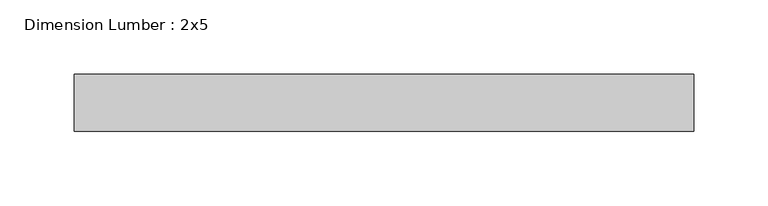
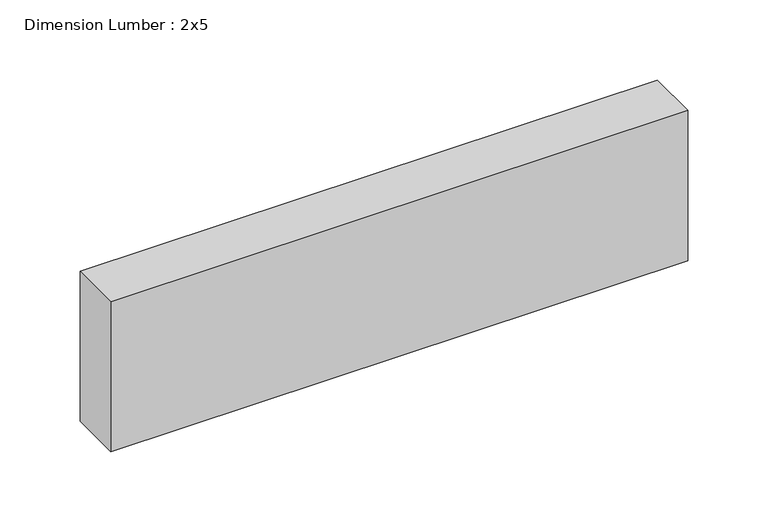
"""IFC4 building model written with IfcOpenShell, lengths in millimetres: beam geometry, Dimension Lumber : 2x5."""

from ifc_helpers import new_model, si_unit, frame, origin, place, context, project, spatial, polyline, outline, extrude, source, transform, mapped, element, save


def dimension_lumber_2x5_96f0fe2a(model_context):
    return source(origin(), model_context, "Body", "SweptSolid", [
        extrude(outline(polyline([(207.9554256, 19.05), (207.9554256, -19.05), (-207.9554256, -19.05), (-207.9554256, 19.05), (207.9554256, 19.05)])), frame((0.0, 0.0, -57.15), z_axis=(0.0, 0.0, 1.0), x_axis=(1.0, 0.0, 0.0)), (0.0, 0.0, 1.0), 114.3),
    ])


if __name__ == "__main__":
    model = new_model("IFC4")
    model_context = context("Model", 3, world=origin())
    ifc_project = project(units=[si_unit("LENGTHUNIT", "METRE", prefix="MILLI")], contexts=[model_context])
    site = spatial("IfcSite", under=ifc_project)
    building = spatial("IfcBuilding", under=site)
    placement = place(None, origin())
    dimension_lumber_2x5_shape = dimension_lumber_2x5_96f0fe2a(model_context)
    element("IfcBeam", 1, ObjectType="Dimension Lumber : 2x5", at=placement, inside=building, context=model_context, shape_type="MappedRepresentation", body=[
        mapped(dimension_lumber_2x5_shape, transform((0.0, 0.0, 0.0), x_axis=(1.0, 0.0, 0.0), y_axis=(0.0, 1.0, 0.0), z_axis=(0.0, 0.0, 1.0))),
    ])
    save(model, "model.ifc")
